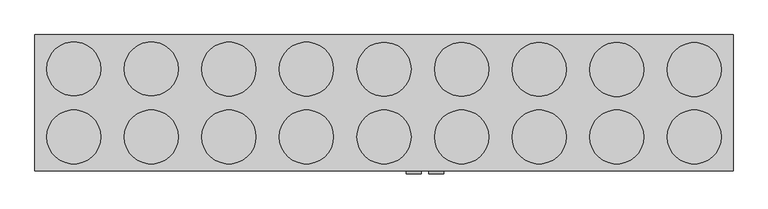
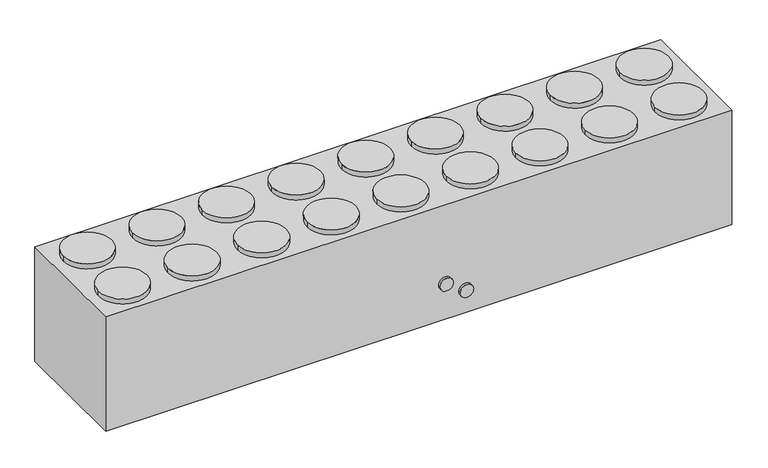
"""IFC4 building model written with IfcOpenShell, lengths in millimetres: proxy geometry."""

from ifc_helpers import new_model, si_unit, point, frame, frame_2d, origin, origin_with_axes, place, context, project, spatial, polyline, circle_curve, trimmed, segment, composite_curve, outline, extrude, source, transform, mapped, element, save


def mechanical_equipment_3338353e(model_context):
    return source(origin(), model_context, "Body", "SweptSolid", [
        extrude(outline(composite_curve([segment(trimmed(circle_curve(frame_2d((8746.7845095, -415.039732)), 457.2), [point((8289.5845095, -415.039732))], [point((9203.9845095, -415.039732))], False, "CARTESIAN"), True, "CONTINUOUS"), segment(trimmed(circle_curve(frame_2d((8746.7845095, -415.039732)), 457.2), [point((9203.9845095, -415.039732))], [point((8289.5845095, -415.039732))], False, "CARTESIAN"), True, "CONTINUOUS")], self_intersect=False)), frame((0.0, 0.0, 2286.0), z_axis=(0.0, 0.0, 1.0), x_axis=(1.0, 0.0, 0.0)), (0.0, 0.0, 1.0), 100.0125),
        extrude(outline(composite_curve([segment(trimmed(circle_curve(frame_2d((7433.9220095, -415.039732)), 457.2), [point((6976.7220095, -415.039732))], [point((7891.1220095, -415.039732))], False, "CARTESIAN"), True, "CONTINUOUS"), segment(trimmed(circle_curve(frame_2d((7433.9220095, -415.039732)), 457.2), [point((7891.1220095, -415.039732))], [point((6976.7220095, -415.039732))], False, "CARTESIAN"), True, "CONTINUOUS")], self_intersect=False)), frame((0.0, 0.0, 2286.0), z_axis=(0.0, 0.0, 1.0), x_axis=(1.0, 0.0, 0.0)), (0.0, 0.0, 1.0), 100.0125),
        extrude(outline(composite_curve([segment(trimmed(circle_curve(frame_2d((6121.0595095, -415.039732)), 457.2), [point((5663.8595095, -415.039732))], [point((6578.2595095, -415.039732))], False, "CARTESIAN"), True, "CONTINUOUS"), segment(trimmed(circle_curve(frame_2d((6121.0595095, -415.039732)), 457.2), [point((6578.2595095, -415.039732))], [point((5663.8595095, -415.039732))], False, "CARTESIAN"), True, "CONTINUOUS")], self_intersect=False)), frame((0.0, 0.0, 2286.0), z_axis=(0.0, 0.0, 1.0), x_axis=(1.0, 0.0, 0.0)), (0.0, 0.0, 1.0), 100.0125),
        extrude(outline(composite_curve([segment(trimmed(circle_curve(frame_2d((4808.1970095, -415.039732)), 457.2), [point((4350.9970095, -415.039732))], [point((5265.3970095, -415.039732))], False, "CARTESIAN"), True, "CONTINUOUS"), segment(trimmed(circle_curve(frame_2d((4808.1970095, -415.039732)), 457.2), [point((5265.3970095, -415.039732))], [point((4350.9970095, -415.039732))], False, "CARTESIAN"), True, "CONTINUOUS")], self_intersect=False)), frame((0.0, 0.0, 2286.0), z_axis=(0.0, 0.0, 1.0), x_axis=(1.0, 0.0, 0.0)), (0.0, 0.0, 1.0), 100.0125),
        extrude(outline(composite_curve([segment(trimmed(circle_curve(frame_2d((3495.3345095, -415.039732)), 457.2), [point((3038.1345095, -415.039732))], [point((3952.5345095, -415.039732))], False, "CARTESIAN"), True, "CONTINUOUS"), segment(trimmed(circle_curve(frame_2d((3495.3345095, -415.039732)), 457.2), [point((3952.5345095, -415.039732))], [point((3038.1345095, -415.039732))], False, "CARTESIAN"), True, "CONTINUOUS")], self_intersect=False)), frame((0.0, 0.0, 2286.0), z_axis=(0.0, 0.0, 1.0), x_axis=(1.0, 0.0, 0.0)), (0.0, 0.0, 1.0), 100.0125),
        extrude(outline(composite_curve([segment(trimmed(circle_curve(frame_2d((2182.4720095, -415.039732)), 457.2), [point((1725.2720095, -415.039732))], [point((2639.6720095, -415.039732))], False, "CARTESIAN"), True, "CONTINUOUS"), segment(trimmed(circle_curve(frame_2d((2182.4720095, -415.039732)), 457.2), [point((2639.6720095, -415.039732))], [point((1725.2720095, -415.039732))], False, "CARTESIAN"), True, "CONTINUOUS")], self_intersect=False)), frame((0.0, 0.0, 2286.0), z_axis=(0.0, 0.0, 1.0), x_axis=(1.0, 0.0, 0.0)), (0.0, 0.0, 1.0), 100.0125),
        extrude(outline(composite_curve([segment(trimmed(circle_curve(frame_2d((869.6095095, -415.039732)), 457.2), [point((412.4095095, -415.039732))], [point((1326.8095095, -415.039732))], False, "CARTESIAN"), True, "CONTINUOUS"), segment(trimmed(circle_curve(frame_2d((869.6095095, -415.039732)), 457.2), [point((1326.8095095, -415.039732))], [point((412.4095095, -415.039732))], False, "CARTESIAN"), True, "CONTINUOUS")], self_intersect=False)), frame((0.0, 0.0, 2286.0), z_axis=(0.0, 0.0, 1.0), x_axis=(1.0, 0.0, 0.0)), (0.0, 0.0, 1.0), 100.0125),
        extrude(outline(composite_curve([segment(trimmed(circle_curve(frame_2d((-443.2529905, -415.039732)), 457.2), [point((-900.4529905, -415.039732))], [point((13.9470095, -415.039732))], False, "CARTESIAN"), True, "CONTINUOUS"), segment(trimmed(circle_curve(frame_2d((-443.2529905, -415.039732)), 457.2), [point((13.9470095, -415.039732))], [point((-900.4529905, -415.039732))], False, "CARTESIAN"), True, "CONTINUOUS")], self_intersect=False)), frame((0.0, 0.0, 2286.0), z_axis=(0.0, 0.0, 1.0), x_axis=(1.0, 0.0, 0.0)), (0.0, 0.0, 1.0), 100.0125),
        extrude(outline(composite_curve([segment(trimmed(circle_curve(frame_2d((-1756.1154905, -415.039732)), 457.2), [point((-2213.3154905, -415.039732))], [point((-1298.9154905, -415.039732))], False, "CARTESIAN"), True, "CONTINUOUS"), segment(trimmed(circle_curve(frame_2d((-1756.1154905, -415.039732)), 457.2), [point((-1298.9154905, -415.039732))], [point((-2213.3154905, -415.039732))], False, "CARTESIAN"), True, "CONTINUOUS")], self_intersect=False)), frame((0.0, 0.0, 2286.0), z_axis=(0.0, 0.0, 1.0), x_axis=(1.0, 0.0, 0.0)), (0.0, 0.0, 1.0), 100.0125),
        extrude(outline(composite_curve([segment(trimmed(circle_curve(frame_2d((8746.7845095, 726.372768)), 457.2), [point((8289.5845095, 726.372768))], [point((9203.9845095, 726.372768))], False, "CARTESIAN"), True, "CONTINUOUS"), segment(trimmed(circle_curve(frame_2d((8746.7845095, 726.372768)), 457.2), [point((9203.9845095, 726.372768))], [point((8289.5845095, 726.372768))], False, "CARTESIAN"), True, "CONTINUOUS")], self_intersect=False)), frame((0.0, 0.0, 2286.0), z_axis=(0.0, 0.0, 1.0), x_axis=(1.0, 0.0, 0.0)), (0.0, 0.0, 1.0), 100.0125),
        extrude(outline(composite_curve([segment(trimmed(circle_curve(frame_2d((7433.9220095, 727.960268)), 457.2), [point((6976.7220095, 727.960268))], [point((7891.1220095, 727.960268))], False, "CARTESIAN"), True, "CONTINUOUS"), segment(trimmed(circle_curve(frame_2d((7433.9220095, 727.960268)), 457.2), [point((7891.1220095, 727.960268))], [point((6976.7220095, 727.960268))], False, "CARTESIAN"), True, "CONTINUOUS")], self_intersect=False)), frame((0.0, 0.0, 2286.0), z_axis=(0.0, 0.0, 1.0), x_axis=(1.0, 0.0, 0.0)), (0.0, 0.0, 1.0), 100.0125),
        extrude(outline(composite_curve([segment(trimmed(circle_curve(frame_2d((6121.0595095, 729.547768)), 457.2), [point((5663.8595095, 729.547768))], [point((6578.2595095, 729.547768))], False, "CARTESIAN"), True, "CONTINUOUS"), segment(trimmed(circle_curve(frame_2d((6121.0595095, 729.547768)), 457.2), [point((6578.2595095, 729.547768))], [point((5663.8595095, 729.547768))], False, "CARTESIAN"), True, "CONTINUOUS")], self_intersect=False)), frame((0.0, 0.0, 2286.0), z_axis=(0.0, 0.0, 1.0), x_axis=(1.0, 0.0, 0.0)), (0.0, 0.0, 1.0), 100.0125),
        extrude(outline(composite_curve([segment(trimmed(circle_curve(frame_2d((4808.1970095, 731.135268)), 457.2), [point((4350.9970095, 731.135268))], [point((5265.3970095, 731.135268))], False, "CARTESIAN"), True, "CONTINUOUS"), segment(trimmed(circle_curve(frame_2d((4808.1970095, 731.135268)), 457.2), [point((5265.3970095, 731.135268))], [point((4350.9970095, 731.135268))], False, "CARTESIAN"), True, "CONTINUOUS")], self_intersect=False)), frame((0.0, 0.0, 2286.0), z_axis=(0.0, 0.0, 1.0), x_axis=(1.0, 0.0, 0.0)), (0.0, 0.0, 1.0), 100.0125),
        extrude(outline(composite_curve([segment(trimmed(circle_curve(frame_2d((3495.3345095, 732.722768)), 457.2), [point((3038.1345095, 732.722768))], [point((3952.5345095, 732.722768))], False, "CARTESIAN"), True, "CONTINUOUS"), segment(trimmed(circle_curve(frame_2d((3495.3345095, 732.722768)), 457.2), [point((3952.5345095, 732.722768))], [point((3038.1345095, 732.722768))], False, "CARTESIAN"), True, "CONTINUOUS")], self_intersect=False)), frame((0.0, 0.0, 2286.0), z_axis=(0.0, 0.0, 1.0), x_axis=(1.0, 0.0, 0.0)), (0.0, 0.0, 1.0), 100.0125),
        extrude(outline(composite_curve([segment(trimmed(circle_curve(frame_2d((2182.4720095, 734.310268)), 457.2), [point((1725.2720095, 734.310268))], [point((2639.6720095, 734.310268))], False, "CARTESIAN"), True, "CONTINUOUS"), segment(trimmed(circle_curve(frame_2d((2182.4720095, 734.310268)), 457.2), [point((2639.6720095, 734.310268))], [point((1725.2720095, 734.310268))], False, "CARTESIAN"), True, "CONTINUOUS")], self_intersect=False)), frame((0.0, 0.0, 2286.0), z_axis=(0.0, 0.0, 1.0), x_axis=(1.0, 0.0, 0.0)), (0.0, 0.0, 1.0), 100.0125),
        extrude(outline(composite_curve([segment(trimmed(circle_curve(frame_2d((869.6095095, 735.897768)), 457.2), [point((412.4095095, 735.897768))], [point((1326.8095095, 735.897768))], False, "CARTESIAN"), True, "CONTINUOUS"), segment(trimmed(circle_curve(frame_2d((869.6095095, 735.897768)), 457.2), [point((1326.8095095, 735.897768))], [point((412.4095095, 735.897768))], False, "CARTESIAN"), True, "CONTINUOUS")], self_intersect=False)), frame((0.0, 0.0, 2286.0), z_axis=(0.0, 0.0, 1.0), x_axis=(1.0, 0.0, 0.0)), (0.0, 0.0, 1.0), 100.0125),
        extrude(outline(composite_curve([segment(trimmed(circle_curve(frame_2d((-443.2529905, 737.485268)), 457.2), [point((-900.4529905, 737.485268))], [point((13.9470095, 737.485268))], False, "CARTESIAN"), True, "CONTINUOUS"), segment(trimmed(circle_curve(frame_2d((-443.2529905, 737.485268)), 457.2), [point((13.9470095, 737.485268))], [point((-900.4529905, 737.485268))], False, "CARTESIAN"), True, "CONTINUOUS")], self_intersect=False)), frame((0.0, 0.0, 2286.0), z_axis=(0.0, 0.0, 1.0), x_axis=(1.0, 0.0, 0.0)), (0.0, 0.0, 1.0), 100.0125),
        extrude(outline(composite_curve([segment(trimmed(circle_curve(frame_2d((-1756.1154905, 739.072768)), 457.2), [point((-2213.3154905, 739.072768))], [point((-1298.9154905, 739.072768))], False, "CARTESIAN"), True, "CONTINUOUS"), segment(trimmed(circle_curve(frame_2d((-1756.1154905, 739.072768)), 457.2), [point((-1298.9154905, 739.072768))], [point((-2213.3154905, 739.072768))], False, "CARTESIAN"), True, "CONTINUOUS")], self_intersect=False)), frame((0.0, 0.0, 2286.0), z_axis=(0.0, 0.0, 1.0), x_axis=(1.0, 0.0, 0.0)), (0.0, 0.0, 1.0), 100.0125),
        extrude(outline(composite_curve([segment(trimmed(circle_curve(frame_2d((720.725, 3997.7782595)), 127.0), [point((720.725, 4124.7782595))], [point((720.725, 3870.7782595))], False, "CARTESIAN"), True, "CONTINUOUS"), segment(trimmed(circle_curve(frame_2d((720.725, 3997.7782595)), 127.0), [point((720.725, 3870.7782595))], [point((720.725, 4124.7782595))], False, "CARTESIAN"), True, "CONTINUOUS")], self_intersect=False)), frame((0.0, -1042.895982, 0.0), z_axis=(0.0, 1.0, 0.0), x_axis=(0.0, 0.0, 1.0)), (0.0, 0.0, 1.0), 50.8),
        extrude(outline(composite_curve([segment(trimmed(circle_curve(frame_2d((461.9625, 4378.7782595)), 127.0), [point((461.9625, 4505.7782595))], [point((461.9625, 4251.7782595))], False, "CARTESIAN"), True, "CONTINUOUS"), segment(trimmed(circle_curve(frame_2d((461.9625, 4378.7782595)), 127.0), [point((461.9625, 4251.7782595))], [point((461.9625, 4505.7782595))], False, "CARTESIAN"), True, "CONTINUOUS")], self_intersect=False)), frame((0.0, -1042.895982, 0.0), z_axis=(0.0, 1.0, 0.0), x_axis=(0.0, 0.0, 1.0)), (0.0, 0.0, 1.0), 50.8),
        extrude(outline(polyline([(9403.2157595, 1316.129018), (9403.2157595, -992.095982), (-2412.5467405, -992.095982), (-2412.5467405, 1316.129018), (9403.2157595, 1316.129018)])), origin_with_axes(), (0.0, 0.0, 1.0), 2286.0),
    ])


if __name__ == "__main__":
    model = new_model("IFC4")
    model_context = context("Model", 3, world=origin())
    ifc_project = project(units=[si_unit("LENGTHUNIT", "METRE", prefix="MILLI")], contexts=[model_context])
    site = spatial("IfcSite", under=ifc_project)
    building = spatial("IfcBuilding", under=site)
    placement = place(None, origin())
    mechanical_equipment_shape = mechanical_equipment_3338353e(model_context)
    element("IfcBuildingElementProxy", 1, Name="Mechanical Equipment", at=placement, inside=building, context=model_context, shape_type="MappedRepresentation", body=[
        mapped(mechanical_equipment_shape, transform((0.0, 0.0, 0.0), x_axis=(1.0, 0.0, 0.0), y_axis=(0.0, 1.0, 0.0), z_axis=(0.0, 0.0, 1.0))),
    ])
    save(model, "model.ifc")
